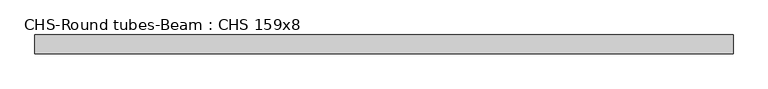
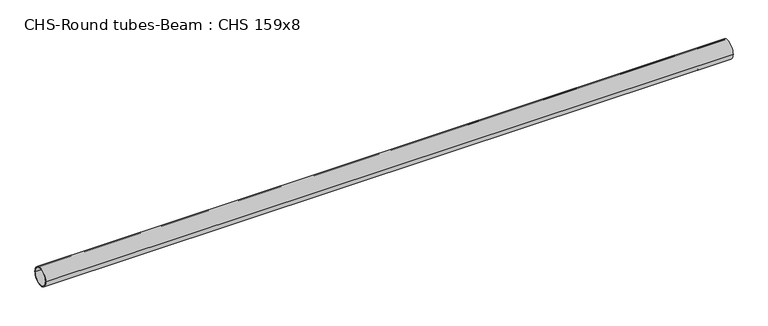
"""IFC4 building model written with IfcOpenShell, lengths in millimetres: beam geometry, CHS-Round tubes-Beam : CHS 159x8."""

from ifc_helpers import new_model, si_unit, point, frame, origin, origin_2d, place, context, project, spatial, circle_curve, trimmed, segment, composite_curve, outline, extrude, source, transform, mapped, element, save


def chs_round_tubes_beam_chs_159x8_7ff0f2a5(model_context):
    return source(origin(), model_context, "Body", "SweptSolid", [
        extrude(outline(composite_curve([segment(trimmed(circle_curve(origin_2d(), 79.5), [point((79.5, 0.0))], [point((-79.5, 0.0))], False, "CARTESIAN"), True, "CONTINUOUS"), segment(trimmed(circle_curve(origin_2d(), 79.5), [point((-79.5, 0.0))], [point((79.5, 0.0))], False, "CARTESIAN"), True, "CONTINUOUS")], self_intersect=False), holes=[composite_curve([segment(trimmed(circle_curve(origin_2d(), 71.5), [point((71.5, 0.0))], [point((-71.5, 0.0))], True, "CARTESIAN"), True, "CONTINUOUS"), segment(trimmed(circle_curve(origin_2d(), 71.5), [point((-71.5, 0.0))], [point((71.5, 0.0))], True, "CARTESIAN"), True, "CONTINUOUS")], self_intersect=False)]), frame((-2942.4524995, 0.0, 0.0), z_axis=(1.0, 0.0, 0.0), x_axis=(0.0, 1.0, 0.0)), (0.0, 0.0, 1.0), 5884.904999),
    ])


if __name__ == "__main__":
    model = new_model("IFC4")
    model_context = context("Model", 3, world=origin())
    ifc_project = project(units=[si_unit("LENGTHUNIT", "METRE", prefix="MILLI")], contexts=[model_context])
    site = spatial("IfcSite", under=ifc_project)
    building = spatial("IfcBuilding", under=site)
    placement = place(None, origin())
    chs_round_tubes_beam_chs_159x8_shape = chs_round_tubes_beam_chs_159x8_7ff0f2a5(model_context)
    element("IfcBeam", 1, ObjectType="CHS-Round tubes-Beam : CHS 159x8", at=placement, inside=building, context=model_context, shape_type="MappedRepresentation", body=[
        mapped(chs_round_tubes_beam_chs_159x8_shape, transform((0.0, 0.0, 0.0), x_axis=(1.0, 0.0, 0.0), y_axis=(0.0, 1.0, 0.0), z_axis=(0.0, 0.0, 1.0))),
    ])
    save(model, "model.ifc")
